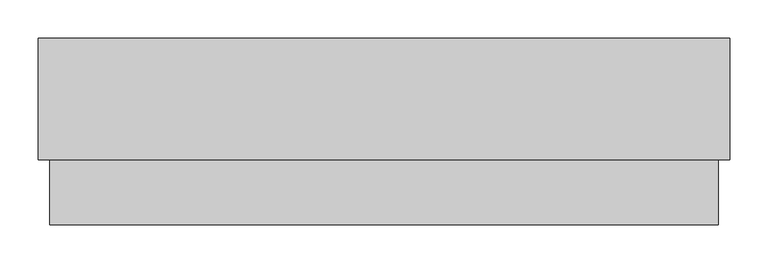
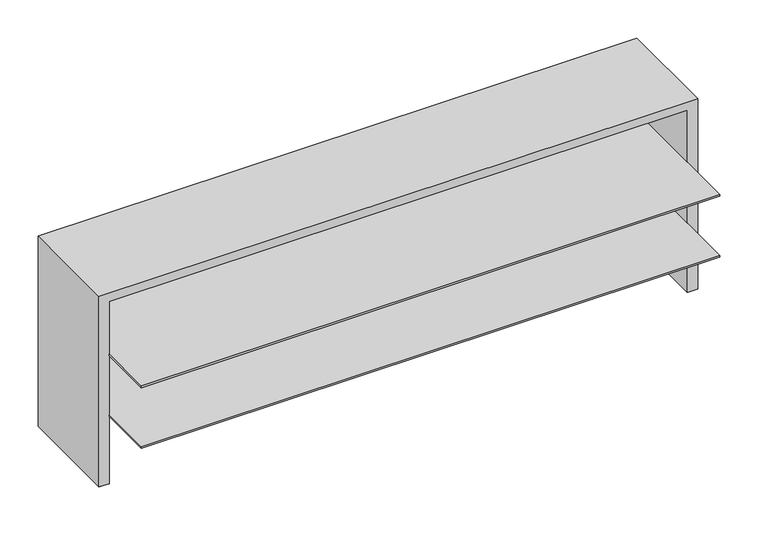
"""IFC4 building model written with IfcOpenShell, lengths in millimetres: furniture geometry."""

from ifc_helpers import new_model, si_unit, frame, origin, place, context, project, spatial, polyline, outline, extrude, faceted_brep, source, transform, mapped, element, save


def furniture_6de9f43a(model_context):
    return source(origin(), model_context, "Body", "SolidModel", [
        extrude(outline(polyline([(909.828, -3.048), (909.828, -159.893), (897.509, -159.893), (897.509, -22.225), (16.891, -22.225), (16.891, -159.893), (4.572, -159.893), (4.572, -3.048), (909.828, -3.048)])), frame((0.0, 0.0, 736.6), z_axis=(0.0, 0.0, 1.0), x_axis=(1.0, 0.0, 0.0)), (0.0, 0.0, 1.0), 0.8128),
        extrude(outline(polyline([(895.985, -246.46382), (18.415, -246.46382), (18.415, -23.749), (895.985, -23.749), (895.985, -246.46382)])), frame((0.0, 0.0, 943.0088667), z_axis=(0.0, 0.0, 1.0), x_axis=(1.0, 0.0, 0.0)), (0.0, 0.0, 1.0), 2.54),
        extrude(outline(polyline([(895.985, -246.46382), (18.415, -246.46382), (18.415, -23.749), (895.985, -23.749), (895.985, -246.46382)])), frame((0.0, 0.0, 845.3289333), z_axis=(0.0, 0.0, 1.0), x_axis=(1.0, 0.0, 0.0)), (0.0, 0.0, 1.0), 2.54),
        faceted_brep([(911.352, -161.417, 1043.2288), (3.048, -161.417, 1043.2288), (3.048, -161.417, 737.4128), (18.415, -161.417, 737.4128), (18.415, -161.417, 1029.6398), (895.985, -161.417, 1029.6398), (895.985, -161.417, 737.4128), (911.352, -161.417, 737.4128), (911.352, -1.524, 1043.2288), (911.352, -1.524, 737.4128), (3.048, -1.524, 737.4128), (3.048, -1.524, 1043.2288), (895.985, -23.749, 737.4128), (18.415, -23.749, 737.4128), (895.985, -23.749, 1029.6398), (18.415, -23.749, 1029.6398)], [[[0, 1, 2, 3, 4, 5, 6, 7]], [[8, 9, 10, 11]], [[1, 0, 8, 11]], [[2, 1, 11, 10]], [[10, 9, 7, 6, 12, 13, 3, 2]], [[0, 7, 9, 8]], [[14, 15, 13, 12]], [[15, 14, 5, 4]], [[15, 4, 3, 13]], [[5, 14, 12, 6]]]),
    ])


if __name__ == "__main__":
    model = new_model("IFC4")
    model_context = context("Model", 3, world=origin())
    ifc_project = project(units=[si_unit("LENGTHUNIT", "METRE", prefix="MILLI")], contexts=[model_context])
    site = spatial("IfcSite", under=ifc_project)
    building = spatial("IfcBuilding", under=site)
    placement = place(None, origin())
    furniture_shape = furniture_6de9f43a(model_context)
    element("IfcFurniture", 1, at=placement, inside=building, context=model_context, shape_type="MappedRepresentation", body=[
        mapped(furniture_shape, transform((0.0, 0.0, 0.0), x_axis=(1.0, 0.0, 0.0), y_axis=(0.0, 1.0, 0.0), z_axis=(0.0, 0.0, 1.0))),
    ])
    save(model, "model.ifc")
